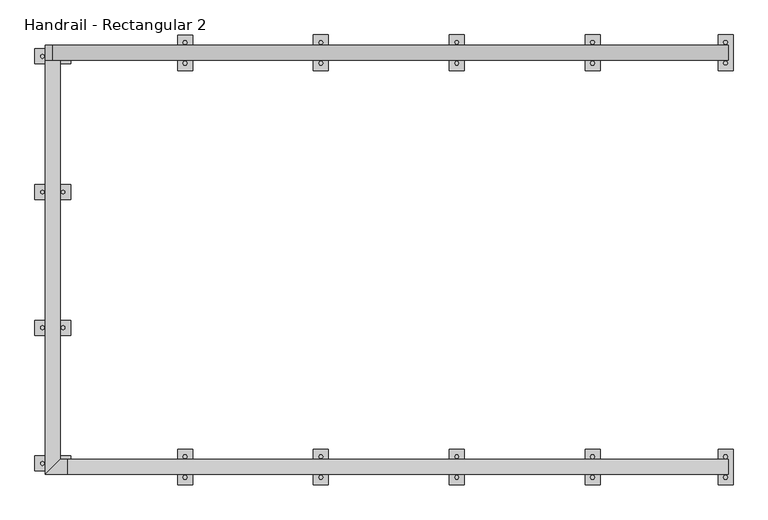
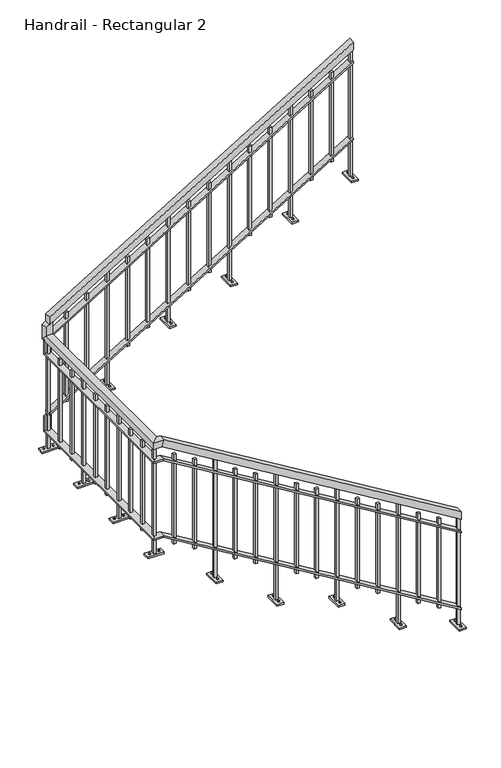
"""IFC4 building model written with IfcOpenShell, lengths in millimetres: railing geometry, Handrail - Rectangular 2."""

from ifc_helpers import new_model, si_unit, frame, origin, place, context, project, spatial, polyline, outline, extrude, faceted_brep, source, transform, mapped, element, save


def handrail_rectangular_2_31a34f4d(model_context):
    return source(origin(), model_context, "Body", "SolidModel", [
        faceted_brep([(-2662.3126908, -10140.1582649, 1083.7333333), (-2662.3126908, -10190.9582649, 1083.7333333), (-2662.3126908, -10190.9582649, 1024.3318731), (-2662.3126908, -10140.1582649, 1024.3318731), (-4897.5126908, -10140.1582649, 2438.4), (-4897.5126908, -10190.9582649, 2438.4), (-4911.7051002, -10190.9582649, 2387.6), (-4911.7051002, -10140.1582649, 2387.6), (-4922.9126908, -10140.1582649, 2438.4), (-4973.7126908, -10190.9582649, 2438.4), (-4973.7126908, -10190.9582649, 2387.6), (-4922.9126908, -10140.1582649, 2387.6), (-4922.9126908, -8788.4356522, 2438.4), (-4973.7126908, -8788.4356522, 2438.4), (-4973.7126908, -8737.6356522, 2387.6), (-4922.9126908, -8737.6356522, 2387.6), (-4922.9126908, -8788.4356522, 2532.9379337), (-4922.9126908, -8737.6356522, 2532.9379337), (-4973.7126908, -8737.6356522, 2502.1500549), (-4973.7126908, -8788.4356522, 2502.1500549)], [[[0, 1, 2, 3]], [[1, 0, 4, 5]], [[2, 1, 5, 6]], [[3, 2, 6, 7]], [[0, 3, 7, 4]], [[5, 4, 8, 9]], [[6, 5, 9, 10]], [[7, 6, 10, 11]], [[4, 7, 11, 8]], [[9, 8, 12, 13]], [[10, 9, 13, 14]], [[11, 10, 14, 15]], [[8, 11, 15, 12]], [[16, 17, 18, 19]], [[13, 12, 16, 19]], [[14, 13, 19, 18]], [[15, 14, 18, 17]], [[12, 15, 17, 16]]]),
        faceted_brep([(-4948.3126908, -8788.4356522, 2576.9454545), (-4948.3126908, -8737.6356522, 2576.9454545), (-4948.3126908, -8737.6356522, 2517.5439943), (-4948.3126908, -8788.4356522, 2517.5439943), (-2662.3126908, -8788.4356522, 3962.4), (-2662.3126908, -8788.4356522, 3902.9985397), (-2662.3126908, -8737.6356522, 3902.9985397), (-2662.3126908, -8737.6356522, 3962.4)], [[[0, 1, 2, 3]], [[4, 5, 6, 7]], [[1, 0, 4, 7]], [[2, 1, 7, 6]], [[3, 2, 6, 5]], [[0, 3, 5, 4]]]),
        faceted_brep([(-2662.3126908, -10140.1582649, 931.3333333), (-2662.3126908, -10190.9582649, 931.3333333), (-2662.3126908, -10190.9582649, 916.4829683), (-2662.3126908, -10140.1582649, 916.4829683), (-4897.5126908, -10140.1582649, 2286.0), (-4897.5126908, -10190.9582649, 2286.0), (-4901.0607932, -10190.9582649, 2273.3), (-4901.0607932, -10140.1582649, 2273.3), (-4922.9126908, -10140.1582649, 2286.0), (-4973.7126908, -10190.9582649, 2286.0), (-4973.7126908, -10190.9582649, 2273.3), (-4922.9126908, -10140.1582649, 2273.3), (-4922.9126908, -8769.3856522, 2286.0), (-4973.7126908, -8769.3856522, 2286.0), (-4973.7126908, -8756.6856522, 2273.3), (-4922.9126908, -8756.6856522, 2273.3), (-4922.9126908, -8769.3856522, 2425.0890289), (-4922.9126908, -8756.6856522, 2425.0890289), (-4973.7126908, -8756.6856522, 2394.3011501), (-4973.7126908, -8769.3856522, 2394.3011501)], [[[0, 1, 2, 3]], [[1, 0, 4, 5]], [[2, 1, 5, 6]], [[3, 2, 6, 7]], [[0, 3, 7, 4]], [[5, 4, 8, 9]], [[6, 5, 9, 10]], [[7, 6, 10, 11]], [[4, 7, 11, 8]], [[9, 8, 12, 13]], [[10, 9, 13, 14]], [[11, 10, 14, 15]], [[8, 11, 15, 12]], [[16, 17, 18, 19]], [[13, 12, 16, 19]], [[14, 13, 19, 18]], [[15, 14, 18, 17]], [[12, 15, 17, 16]]]),
        faceted_brep([(-4948.3126908, -8788.4356522, 2424.5454545), (-4948.3126908, -8737.6356522, 2424.5454545), (-4948.3126908, -8737.6356522, 2409.6950895), (-4948.3126908, -8788.4356522, 2409.6950895), (-2662.3126908, -8788.4356522, 3810.0), (-2662.3126908, -8788.4356522, 3795.1496349), (-2662.3126908, -8737.6356522, 3795.1496349), (-2662.3126908, -8737.6356522, 3810.0)], [[[0, 1, 2, 3]], [[4, 5, 6, 7]], [[1, 0, 4, 7]], [[2, 1, 7, 6]], [[3, 2, 6, 5]], [[0, 3, 5, 4]]]),
        faceted_brep([(-2662.3126908, -10140.1582649, 321.7333333), (-2662.3126908, -10190.9582649, 321.7333333), (-2662.3126908, -10190.9582649, 306.8829683), (-2662.3126908, -10140.1582649, 306.8829683), (-4897.5126908, -10140.1582649, 1676.4), (-4897.5126908, -10190.9582649, 1676.4), (-4901.0607932, -10190.9582649, 1663.7), (-4901.0607932, -10140.1582649, 1663.7), (-4922.9126908, -10140.1582649, 1676.4), (-4973.7126908, -10190.9582649, 1676.4), (-4973.7126908, -10190.9582649, 1663.7), (-4922.9126908, -10140.1582649, 1663.7), (-4922.9126908, -8769.3856522, 1676.4), (-4973.7126908, -8769.3856522, 1676.4), (-4973.7126908, -8756.6856522, 1663.7), (-4922.9126908, -8756.6856522, 1663.7), (-4922.9126908, -8769.3856522, 1815.4890289), (-4922.9126908, -8756.6856522, 1815.4890289), (-4973.7126908, -8756.6856522, 1784.7011501), (-4973.7126908, -8769.3856522, 1784.7011501)], [[[0, 1, 2, 3]], [[1, 0, 4, 5]], [[2, 1, 5, 6]], [[3, 2, 6, 7]], [[0, 3, 7, 4]], [[5, 4, 8, 9]], [[6, 5, 9, 10]], [[7, 6, 10, 11]], [[4, 7, 11, 8]], [[9, 8, 12, 13]], [[10, 9, 13, 14]], [[11, 10, 14, 15]], [[8, 11, 15, 12]], [[16, 17, 18, 19]], [[13, 12, 16, 19]], [[14, 13, 19, 18]], [[15, 14, 18, 17]], [[12, 15, 17, 16]]]),
        faceted_brep([(-4948.3126908, -8788.4356522, 1814.9454545), (-4948.3126908, -8737.6356522, 1814.9454545), (-4948.3126908, -8737.6356522, 1800.0950895), (-4948.3126908, -8788.4356522, 1800.0950895), (-2662.3126908, -8788.4356522, 3200.4), (-2662.3126908, -8788.4356522, 3185.5496349), (-2662.3126908, -8737.6356522, 3185.5496349), (-2662.3126908, -8737.6356522, 3200.4)], [[[0, 1, 2, 3]], [[4, 5, 6, 7]], [[1, 0, 4, 7]], [[2, 1, 7, 6]], [[3, 2, 6, 5]], [[0, 3, 5, 4]]]),
        extrude(outline(polyline([(-2825.0305783, -8772.5606522), (-2825.0305783, -8753.5106522), (-2805.9805783, -8753.5106522), (-2805.9805783, -8772.5606522), (-2825.0305783, -8772.5606522)])), frame((0.0, 0.0, 3056.7558258), z_axis=(0.0, 0.0, 1.0), x_axis=(1.0, 0.0, 0.0)), (0.0, 0.0, 1.0), 711.2),
        extrude(outline(polyline([(-2978.2234658, -8772.5606522), (-2978.2234658, -8753.5106522), (-2959.1734658, -8753.5106522), (-2959.1734658, -8772.5606522), (-2978.2234658, -8772.5606522)])), frame((0.0, 0.0, 2963.9116515), z_axis=(0.0, 0.0, 1.0), x_axis=(1.0, 0.0, 0.0)), (0.0, 0.0, 1.0), 711.2),
        faceted_brep([(-3147.2913533, -8702.7106522, 2709.3333333), (-3096.4913533, -8702.7106522, 2709.3333333), (-3096.4913533, -8823.3606522, 2709.3333333), (-3147.2913533, -8823.3606522, 2709.3333333), (-3131.4163533, -8772.5606522, 3618.6932897), (-3131.4163533, -8753.5106522, 3618.6932897), (-3131.4163533, -8753.5106522, 2722.0333333), (-3131.4163533, -8772.5606522, 2722.0333333), (-3112.3663533, -8772.5606522, 3630.2387443), (-3112.3663533, -8772.5606522, 2722.0333333), (-3112.3663533, -8753.5106522, 3630.2387443), (-3112.3663533, -8753.5106522, 2722.0333333), (-3147.2913533, -8702.7106522, 2722.0333333), (-3147.2913533, -8823.3606522, 2722.0333333), (-3096.4913533, -8823.3606522, 2722.0333333), (-3096.4913533, -8702.7106522, 2722.0333333)], [[[0, 1, 2, 3]], [[4, 5, 6, 7]], [[8, 4, 7, 9]], [[10, 8, 9, 11]], [[5, 10, 11, 6]], [[5, 4, 8, 10]], [[12, 13, 14, 15], [7, 6, 11, 9]], [[13, 12, 0, 3]], [[14, 13, 3, 2]], [[15, 14, 2, 1]], [[12, 15, 1, 0]]]),
        extrude(outline(polyline([(-3129.2237017, -8797.9606522), (-3125.5575275, -8791.6106522), (-3118.2251791, -8791.6106522), (-3114.5590049, -8797.9606522), (-3118.2251791, -8804.3106522), (-3125.5575275, -8804.3106522), (-3129.2237017, -8797.9606522)])), frame((0.0, 0.0, 2722.0333333), z_axis=(0.0, 0.0, 1.0), x_axis=(1.0, 0.0, 0.0)), (0.0, 0.0, 1.0), 6.35),
        extrude(outline(polyline([(-3129.2237017, -8728.1106522), (-3125.5575275, -8721.7606522), (-3118.2251791, -8721.7606522), (-3114.5590049, -8728.1106522), (-3118.2251791, -8734.4606522), (-3125.5575275, -8734.4606522), (-3129.2237017, -8728.1106522)])), frame((0.0, 0.0, 2722.0333333), z_axis=(0.0, 0.0, 1.0), x_axis=(1.0, 0.0, 0.0)), (0.0, 0.0, 1.0), 6.35),
        extrude(outline(polyline([(-3284.6092408, -8772.5606522), (-3284.6092408, -8753.5106522), (-3265.5592408, -8753.5106522), (-3265.5592408, -8772.5606522), (-3284.6092408, -8772.5606522)])), frame((0.0, 0.0, 2778.223303), z_axis=(0.0, 0.0, 1.0), x_axis=(1.0, 0.0, 0.0)), (0.0, 0.0, 1.0), 711.2),
        extrude(outline(polyline([(-3437.8021283, -8772.5606522), (-3437.8021283, -8753.5106522), (-3418.7521283, -8753.5106522), (-3418.7521283, -8772.5606522), (-3437.8021283, -8772.5606522)])), frame((0.0, 0.0, 2685.3791288), z_axis=(0.0, 0.0, 1.0), x_axis=(1.0, 0.0, 0.0)), (0.0, 0.0, 1.0), 711.2),
        faceted_brep([(-3606.8700158, -8702.7106522, 2370.6666667), (-3556.0700158, -8702.7106522, 2370.6666667), (-3556.0700158, -8823.3606522, 2370.6666667), (-3606.8700158, -8823.3606522, 2370.6666667), (-3590.9950158, -8772.5606522, 3340.160767), (-3590.9950158, -8753.5106522, 3340.160767), (-3590.9950158, -8753.5106522, 2383.3666667), (-3590.9950158, -8772.5606522, 2383.3666667), (-3571.9450158, -8772.5606522, 3351.7062215), (-3571.9450158, -8772.5606522, 2383.3666667), (-3571.9450158, -8753.5106522, 3351.7062215), (-3571.9450158, -8753.5106522, 2383.3666667), (-3606.8700158, -8702.7106522, 2383.3666667), (-3606.8700158, -8823.3606522, 2383.3666667), (-3556.0700158, -8823.3606522, 2383.3666667), (-3556.0700158, -8702.7106522, 2383.3666667)], [[[0, 1, 2, 3]], [[4, 5, 6, 7]], [[8, 4, 7, 9]], [[10, 8, 9, 11]], [[5, 10, 11, 6]], [[5, 4, 8, 10]], [[12, 13, 14, 15], [7, 6, 11, 9]], [[13, 12, 0, 3]], [[14, 13, 3, 2]], [[15, 14, 2, 1]], [[12, 15, 1, 0]]]),
        extrude(outline(polyline([(-3588.8023643, -8797.9606522), (-3585.1361901, -8791.6106522), (-3577.8038416, -8791.6106522), (-3574.1376674, -8797.9606522), (-3577.8038416, -8804.3106522), (-3585.1361901, -8804.3106522), (-3588.8023643, -8797.9606522)])), frame((0.0, 0.0, 2383.3666667), z_axis=(0.0, 0.0, 1.0), x_axis=(1.0, 0.0, 0.0)), (0.0, 0.0, 1.0), 6.35),
        extrude(outline(polyline([(-3588.8023643, -8728.1106522), (-3585.1361901, -8721.7606522), (-3577.8038416, -8721.7606522), (-3574.1376674, -8728.1106522), (-3577.8038416, -8734.4606522), (-3585.1361901, -8734.4606522), (-3588.8023643, -8728.1106522)])), frame((0.0, 0.0, 2383.3666667), z_axis=(0.0, 0.0, 1.0), x_axis=(1.0, 0.0, 0.0)), (0.0, 0.0, 1.0), 6.35),
        extrude(outline(polyline([(-3744.1879033, -8772.5606522), (-3744.1879033, -8753.5106522), (-3725.1379033, -8753.5106522), (-3725.1379033, -8772.5606522), (-3744.1879033, -8772.5606522)])), frame((0.0, 0.0, 2499.6907803), z_axis=(0.0, 0.0, 1.0), x_axis=(1.0, 0.0, 0.0)), (0.0, 0.0, 1.0), 711.2),
        extrude(outline(polyline([(-3897.3807909, -8772.5606522), (-3897.3807909, -8753.5106522), (-3878.3307909, -8753.5106522), (-3878.3307909, -8772.5606522), (-3897.3807909, -8772.5606522)])), frame((0.0, 0.0, 2406.846606), z_axis=(0.0, 0.0, 1.0), x_axis=(1.0, 0.0, 0.0)), (0.0, 0.0, 1.0), 711.2),
        faceted_brep([(-4066.4486784, -8702.7106522, 2201.3333333), (-4015.6486784, -8702.7106522, 2201.3333333), (-4015.6486784, -8823.3606522, 2201.3333333), (-4066.4486784, -8823.3606522, 2201.3333333), (-4050.5736784, -8772.5606522, 3061.6282443), (-4050.5736784, -8753.5106522, 3061.6282443), (-4050.5736784, -8753.5106522, 2214.0333333), (-4050.5736784, -8772.5606522, 2214.0333333), (-4031.5236784, -8772.5606522, 3073.1736988), (-4031.5236784, -8772.5606522, 2214.0333333), (-4031.5236784, -8753.5106522, 3073.1736988), (-4031.5236784, -8753.5106522, 2214.0333333), (-4066.4486784, -8702.7106522, 2214.0333333), (-4066.4486784, -8823.3606522, 2214.0333333), (-4015.6486784, -8823.3606522, 2214.0333333), (-4015.6486784, -8702.7106522, 2214.0333333)], [[[0, 1, 2, 3]], [[4, 5, 6, 7]], [[8, 4, 7, 9]], [[10, 8, 9, 11]], [[5, 10, 11, 6]], [[5, 4, 8, 10]], [[12, 13, 14, 15], [7, 6, 11, 9]], [[13, 12, 0, 3]], [[14, 13, 3, 2]], [[15, 14, 2, 1]], [[12, 15, 1, 0]]]),
        extrude(outline(polyline([(-4048.3810268, -8797.9606522), (-4044.7148526, -8791.6106522), (-4037.3825042, -8791.6106522), (-4033.7163299, -8797.9606522), (-4037.3825042, -8804.3106522), (-4044.7148526, -8804.3106522), (-4048.3810268, -8797.9606522)])), frame((0.0, 0.0, 2214.0333333), z_axis=(0.0, 0.0, 1.0), x_axis=(1.0, 0.0, 0.0)), (0.0, 0.0, 1.0), 6.35),
        extrude(outline(polyline([(-4048.3810268, -8728.1106522), (-4044.7148526, -8721.7606522), (-4037.3825042, -8721.7606522), (-4033.7163299, -8728.1106522), (-4037.3825042, -8734.4606522), (-4044.7148526, -8734.4606522), (-4048.3810268, -8728.1106522)])), frame((0.0, 0.0, 2214.0333333), z_axis=(0.0, 0.0, 1.0), x_axis=(1.0, 0.0, 0.0)), (0.0, 0.0, 1.0), 6.35),
        extrude(outline(polyline([(-4203.7665659, -8772.5606522), (-4203.7665659, -8753.5106522), (-4184.7165659, -8753.5106522), (-4184.7165659, -8772.5606522), (-4203.7665659, -8772.5606522)])), frame((0.0, 0.0, 2221.1582575), z_axis=(0.0, 0.0, 1.0), x_axis=(1.0, 0.0, 0.0)), (0.0, 0.0, 1.0), 711.2),
        extrude(outline(polyline([(-4356.9594534, -8772.5606522), (-4356.9594534, -8753.5106522), (-4337.9094534, -8753.5106522), (-4337.9094534, -8772.5606522), (-4356.9594534, -8772.5606522)])), frame((0.0, 0.0, 2128.3140833), z_axis=(0.0, 0.0, 1.0), x_axis=(1.0, 0.0, 0.0)), (0.0, 0.0, 1.0), 711.2),
        faceted_brep([(-4526.0273409, -8702.7106522, 1862.6666667), (-4475.2273409, -8702.7106522, 1862.6666667), (-4475.2273409, -8823.3606522, 1862.6666667), (-4526.0273409, -8823.3606522, 1862.6666667), (-4510.1523409, -8772.5606522, 2783.0957215), (-4510.1523409, -8753.5106522, 2783.0957215), (-4510.1523409, -8753.5106522, 1875.3666667), (-4510.1523409, -8772.5606522, 1875.3666667), (-4491.1023409, -8772.5606522, 2794.6411761), (-4491.1023409, -8772.5606522, 1875.3666667), (-4491.1023409, -8753.5106522, 2794.6411761), (-4491.1023409, -8753.5106522, 1875.3666667), (-4526.0273409, -8702.7106522, 1875.3666667), (-4526.0273409, -8823.3606522, 1875.3666667), (-4475.2273409, -8823.3606522, 1875.3666667), (-4475.2273409, -8702.7106522, 1875.3666667)], [[[0, 1, 2, 3]], [[4, 5, 6, 7]], [[8, 4, 7, 9]], [[10, 8, 9, 11]], [[5, 10, 11, 6]], [[5, 4, 8, 10]], [[12, 13, 14, 15], [7, 6, 11, 9]], [[13, 12, 0, 3]], [[14, 13, 3, 2]], [[15, 14, 2, 1]], [[12, 15, 1, 0]]]),
        extrude(outline(polyline([(-4507.9596893, -8797.9606522), (-4504.2935151, -8791.6106522), (-4496.9611667, -8791.6106522), (-4493.2949925, -8797.9606522), (-4496.9611667, -8804.3106522), (-4504.2935151, -8804.3106522), (-4507.9596893, -8797.9606522)])), frame((0.0, 0.0, 1875.3666667), z_axis=(0.0, 0.0, 1.0), x_axis=(1.0, 0.0, 0.0)), (0.0, 0.0, 1.0), 6.35),
        extrude(outline(polyline([(-4507.9596893, -8728.1106522), (-4504.2935151, -8721.7606522), (-4496.9611667, -8721.7606522), (-4493.2949925, -8728.1106522), (-4496.9611667, -8734.4606522), (-4504.2935151, -8734.4606522), (-4507.9596893, -8728.1106522)])), frame((0.0, 0.0, 1875.3666667), z_axis=(0.0, 0.0, 1.0), x_axis=(1.0, 0.0, 0.0)), (0.0, 0.0, 1.0), 6.35),
        extrude(outline(polyline([(-4663.3452284, -8772.5606522), (-4663.3452284, -8753.5106522), (-4644.2952284, -8753.5106522), (-4644.2952284, -8772.5606522), (-4663.3452284, -8772.5606522)])), frame((0.0, 0.0, 1942.6257348), z_axis=(0.0, 0.0, 1.0), x_axis=(1.0, 0.0, 0.0)), (0.0, 0.0, 1.0), 711.2),
        extrude(outline(polyline([(-4816.5381159, -8772.5606522), (-4816.5381159, -8753.5106522), (-4797.4881159, -8753.5106522), (-4797.4881159, -8772.5606522), (-4816.5381159, -8772.5606522)])), frame((0.0, 0.0, 1849.7815606), z_axis=(0.0, 0.0, 1.0), x_axis=(1.0, 0.0, 0.0)), (0.0, 0.0, 1.0), 711.2),
        faceted_brep([(-5008.6376908, -8800.3289648, 1524.0), (-5008.6376908, -8749.5289648, 1524.0), (-4887.9876908, -8749.5289648, 1524.0), (-4887.9876908, -8800.3289648, 1524.0), (-4938.7876908, -8784.4539648, 2387.6), (-4957.8376908, -8784.4539648, 2387.6), (-4957.8376908, -8784.4539648, 1536.7), (-4938.7876908, -8784.4539648, 1536.7), (-4938.7876908, -8765.4039648, 2387.6), (-4938.7876908, -8765.4039648, 1536.7), (-4957.8376908, -8765.4039648, 2387.6), (-4957.8376908, -8765.4039648, 1536.7), (-5008.6376908, -8800.3289648, 1536.7), (-4887.9876908, -8800.3289648, 1536.7), (-4887.9876908, -8749.5289648, 1536.7), (-5008.6376908, -8749.5289648, 1536.7)], [[[0, 1, 2, 3]], [[4, 5, 6, 7]], [[8, 4, 7, 9]], [[10, 8, 9, 11]], [[5, 10, 11, 6]], [[5, 4, 8, 10]], [[12, 13, 14, 15], [7, 6, 11, 9]], [[13, 12, 0, 3]], [[14, 13, 3, 2]], [[15, 14, 2, 1]], [[12, 15, 1, 0]]]),
        extrude(outline(polyline([(-4913.3876908, -8782.2613132), (-4919.7376908, -8778.595139), (-4919.7376908, -8771.2627905), (-4913.3876908, -8767.5966163), (-4907.0376908, -8771.2627905), (-4907.0376908, -8778.595139), (-4913.3876908, -8782.2613132)])), frame((0.0, 0.0, 1536.7), z_axis=(0.0, 0.0, 1.0), x_axis=(1.0, 0.0, 0.0)), (0.0, 0.0, 1.0), 6.35),
        extrude(outline(polyline([(-4983.2376908, -8782.2613132), (-4989.5876908, -8778.595139), (-4989.5876908, -8771.2627905), (-4983.2376908, -8767.5966163), (-4976.8876908, -8771.2627905), (-4976.8876908, -8778.595139), (-4983.2376908, -8782.2613132)])), frame((0.0, 0.0, 1536.7), z_axis=(0.0, 0.0, 1.0), x_axis=(1.0, 0.0, 0.0)), (0.0, 0.0, 1.0), 6.35),
        extrude(outline(polyline([(-4938.7876908, -8937.6468523), (-4957.8376908, -8937.6468523), (-4957.8376908, -8918.5968523), (-4938.7876908, -8918.5968523), (-4938.7876908, -8937.6468523)])), frame((0.0, 0.0, 1625.6), z_axis=(0.0, 0.0, 1.0), x_axis=(1.0, 0.0, 0.0)), (0.0, 0.0, 1.0), 711.2),
        extrude(outline(polyline([(-4938.7876908, -9090.8397398), (-4957.8376908, -9090.8397398), (-4957.8376908, -9071.7897398), (-4938.7876908, -9071.7897398), (-4938.7876908, -9090.8397398)])), frame((0.0, 0.0, 1625.6), z_axis=(0.0, 0.0, 1.0), x_axis=(1.0, 0.0, 0.0)), (0.0, 0.0, 1.0), 711.2),
        faceted_brep([(-5008.6376908, -9259.9076273, 1524.0), (-5008.6376908, -9209.1076273, 1524.0), (-4887.9876908, -9209.1076273, 1524.0), (-4887.9876908, -9259.9076273, 1524.0), (-4938.7876908, -9244.0326273, 2387.6), (-4957.8376908, -9244.0326273, 2387.6), (-4957.8376908, -9244.0326273, 1536.7), (-4938.7876908, -9244.0326273, 1536.7), (-4938.7876908, -9224.9826273, 2387.6), (-4938.7876908, -9224.9826273, 1536.7), (-4957.8376908, -9224.9826273, 2387.6), (-4957.8376908, -9224.9826273, 1536.7), (-5008.6376908, -9259.9076273, 1536.7), (-4887.9876908, -9259.9076273, 1536.7), (-4887.9876908, -9209.1076273, 1536.7), (-5008.6376908, -9209.1076273, 1536.7)], [[[0, 1, 2, 3]], [[4, 5, 6, 7]], [[8, 4, 7, 9]], [[10, 8, 9, 11]], [[5, 10, 11, 6]], [[5, 4, 8, 10]], [[12, 13, 14, 15], [7, 6, 11, 9]], [[13, 12, 0, 3]], [[14, 13, 3, 2]], [[15, 14, 2, 1]], [[12, 15, 1, 0]]]),
        extrude(outline(polyline([(-4913.3876908, -9241.8399757), (-4919.7376908, -9238.1738015), (-4919.7376908, -9230.8414531), (-4913.3876908, -9227.1752789), (-4907.0376908, -9230.8414531), (-4907.0376908, -9238.1738015), (-4913.3876908, -9241.8399757)])), frame((0.0, 0.0, 1536.7), z_axis=(0.0, 0.0, 1.0), x_axis=(1.0, 0.0, 0.0)), (0.0, 0.0, 1.0), 6.35),
        extrude(outline(polyline([(-4983.2376908, -9241.8399757), (-4989.5876908, -9238.1738015), (-4989.5876908, -9230.8414531), (-4983.2376908, -9227.1752789), (-4976.8876908, -9230.8414531), (-4976.8876908, -9238.1738015), (-4983.2376908, -9241.8399757)])), frame((0.0, 0.0, 1536.7), z_axis=(0.0, 0.0, 1.0), x_axis=(1.0, 0.0, 0.0)), (0.0, 0.0, 1.0), 6.35),
        extrude(outline(polyline([(-4938.7876908, -9397.2255148), (-4957.8376908, -9397.2255148), (-4957.8376908, -9378.1755148), (-4938.7876908, -9378.1755148), (-4938.7876908, -9397.2255148)])), frame((0.0, 0.0, 1625.6), z_axis=(0.0, 0.0, 1.0), x_axis=(1.0, 0.0, 0.0)), (0.0, 0.0, 1.0), 711.2),
        extrude(outline(polyline([(-4938.7876908, -9550.4184023), (-4957.8376908, -9550.4184023), (-4957.8376908, -9531.3684023), (-4938.7876908, -9531.3684023), (-4938.7876908, -9550.4184023)])), frame((0.0, 0.0, 1625.6), z_axis=(0.0, 0.0, 1.0), x_axis=(1.0, 0.0, 0.0)), (0.0, 0.0, 1.0), 711.2),
        faceted_brep([(-5008.6376908, -9719.4862898, 1524.0), (-5008.6376908, -9668.6862898, 1524.0), (-4887.9876908, -9668.6862898, 1524.0), (-4887.9876908, -9719.4862898, 1524.0), (-4938.7876908, -9703.6112898, 2387.6), (-4957.8376908, -9703.6112898, 2387.6), (-4957.8376908, -9703.6112898, 1536.7), (-4938.7876908, -9703.6112898, 1536.7), (-4938.7876908, -9684.5612898, 2387.6), (-4938.7876908, -9684.5612898, 1536.7), (-4957.8376908, -9684.5612898, 2387.6), (-4957.8376908, -9684.5612898, 1536.7), (-5008.6376908, -9719.4862898, 1536.7), (-4887.9876908, -9719.4862898, 1536.7), (-4887.9876908, -9668.6862898, 1536.7), (-5008.6376908, -9668.6862898, 1536.7)], [[[0, 1, 2, 3]], [[4, 5, 6, 7]], [[8, 4, 7, 9]], [[10, 8, 9, 11]], [[5, 10, 11, 6]], [[5, 4, 8, 10]], [[12, 13, 14, 15], [7, 6, 11, 9]], [[13, 12, 0, 3]], [[14, 13, 3, 2]], [[15, 14, 2, 1]], [[12, 15, 1, 0]]]),
        extrude(outline(polyline([(-4913.3876908, -9701.4186382), (-4919.7376908, -9697.752464), (-4919.7376908, -9690.4201156), (-4913.3876908, -9686.7539414), (-4907.0376908, -9690.4201156), (-4907.0376908, -9697.752464), (-4913.3876908, -9701.4186382)])), frame((0.0, 0.0, 1536.7), z_axis=(0.0, 0.0, 1.0), x_axis=(1.0, 0.0, 0.0)), (0.0, 0.0, 1.0), 6.35),
        extrude(outline(polyline([(-4983.2376908, -9701.4186382), (-4989.5876908, -9697.752464), (-4989.5876908, -9690.4201156), (-4983.2376908, -9686.7539414), (-4976.8876908, -9690.4201156), (-4976.8876908, -9697.752464), (-4983.2376908, -9701.4186382)])), frame((0.0, 0.0, 1536.7), z_axis=(0.0, 0.0, 1.0), x_axis=(1.0, 0.0, 0.0)), (0.0, 0.0, 1.0), 6.35),
        extrude(outline(polyline([(-4938.7876908, -9856.8041773), (-4957.8376908, -9856.8041773), (-4957.8376908, -9837.7541773), (-4938.7876908, -9837.7541773), (-4938.7876908, -9856.8041773)])), frame((0.0, 0.0, 1625.6), z_axis=(0.0, 0.0, 1.0), x_axis=(1.0, 0.0, 0.0)), (0.0, 0.0, 1.0), 711.2),
        extrude(outline(polyline([(-4938.7876908, -10009.9970648), (-4957.8376908, -10009.9970648), (-4957.8376908, -9990.9470648), (-4938.7876908, -9990.9470648), (-4938.7876908, -10009.9970648)])), frame((0.0, 0.0, 1625.6), z_axis=(0.0, 0.0, 1.0), x_axis=(1.0, 0.0, 0.0)), (0.0, 0.0, 1.0), 711.2),
        faceted_brep([(-5008.6376908, -10179.0649523, 1524.0), (-5008.6376908, -10128.2649523, 1524.0), (-4887.9876908, -10128.2649523, 1524.0), (-4887.9876908, -10179.0649523, 1524.0), (-4938.7876908, -10163.1899523, 2387.6), (-4957.8376908, -10163.1899523, 2387.6), (-4957.8376908, -10163.1899523, 1536.7), (-4938.7876908, -10163.1899523, 1536.7), (-4938.7876908, -10144.1399523, 2387.6), (-4938.7876908, -10144.1399523, 1536.7), (-4957.8376908, -10144.1399523, 2387.6), (-4957.8376908, -10144.1399523, 1536.7), (-5008.6376908, -10179.0649523, 1536.7), (-4887.9876908, -10179.0649523, 1536.7), (-4887.9876908, -10128.2649523, 1536.7), (-5008.6376908, -10128.2649523, 1536.7)], [[[0, 1, 2, 3]], [[4, 5, 6, 7]], [[8, 4, 7, 9]], [[10, 8, 9, 11]], [[5, 10, 11, 6]], [[5, 4, 8, 10]], [[12, 13, 14, 15], [7, 6, 11, 9]], [[13, 12, 0, 3]], [[14, 13, 3, 2]], [[15, 14, 2, 1]], [[12, 15, 1, 0]]]),
        extrude(outline(polyline([(-4913.3876908, -10160.9973007), (-4919.7376908, -10157.3311265), (-4919.7376908, -10149.9987781), (-4913.3876908, -10146.3326039), (-4907.0376908, -10149.9987781), (-4907.0376908, -10157.3311265), (-4913.3876908, -10160.9973007)])), frame((0.0, 0.0, 1536.7), z_axis=(0.0, 0.0, 1.0), x_axis=(1.0, 0.0, 0.0)), (0.0, 0.0, 1.0), 6.35),
        extrude(outline(polyline([(-4983.2376908, -10160.9973007), (-4989.5876908, -10157.3311265), (-4989.5876908, -10149.9987781), (-4983.2376908, -10146.3326039), (-4976.8876908, -10149.9987781), (-4976.8876908, -10157.3311265), (-4983.2376908, -10160.9973007)])), frame((0.0, 0.0, 1536.7), z_axis=(0.0, 0.0, 1.0), x_axis=(1.0, 0.0, 0.0)), (0.0, 0.0, 1.0), 6.35),
        extrude(outline(polyline([(-4797.4881159, -10156.0332649), (-4797.4881159, -10175.0832649), (-4816.5381159, -10175.0832649), (-4816.5381159, -10156.0332649), (-4797.4881159, -10156.0332649)])), frame((0.0, 0.0, 1570.7517728), z_axis=(0.0, 0.0, 1.0), x_axis=(1.0, 0.0, 0.0)), (0.0, 0.0, 1.0), 711.2),
        extrude(outline(polyline([(-4644.2952284, -10156.0332649), (-4644.2952284, -10175.0832649), (-4663.3452284, -10175.0832649), (-4663.3452284, -10156.0332649), (-4644.2952284, -10156.0332649)])), frame((0.0, 0.0, 1477.9075985), z_axis=(0.0, 0.0, 1.0), x_axis=(1.0, 0.0, 0.0)), (0.0, 0.0, 1.0), 711.2),
        faceted_brep([(-4475.2273409, -10225.8832649, 1185.3333333), (-4526.0273409, -10225.8832649, 1185.3333333), (-4526.0273409, -10105.2332649, 1185.3333333), (-4475.2273409, -10105.2332649, 1185.3333333), (-4491.1023409, -10156.0332649, 2132.6892368), (-4491.1023409, -10175.0832649, 2132.6892368), (-4491.1023409, -10175.0832649, 1198.0333333), (-4491.1023409, -10156.0332649, 1198.0333333), (-4510.1523409, -10156.0332649, 2144.2346913), (-4510.1523409, -10156.0332649, 1198.0333333), (-4510.1523409, -10175.0832649, 2144.2346913), (-4510.1523409, -10175.0832649, 1198.0333333), (-4475.2273409, -10225.8832649, 1198.0333333), (-4475.2273409, -10105.2332649, 1198.0333333), (-4526.0273409, -10105.2332649, 1198.0333333), (-4526.0273409, -10225.8832649, 1198.0333333)], [[[0, 1, 2, 3]], [[4, 5, 6, 7]], [[8, 4, 7, 9]], [[10, 8, 9, 11]], [[5, 10, 11, 6]], [[5, 4, 8, 10]], [[12, 13, 14, 15], [7, 6, 11, 9]], [[13, 12, 0, 3]], [[14, 13, 3, 2]], [[15, 14, 2, 1]], [[12, 15, 1, 0]]]),
        extrude(outline(polyline([(-4493.2949925, -10130.6332649), (-4496.9611667, -10136.9832649), (-4504.2935151, -10136.9832649), (-4507.9596893, -10130.6332649), (-4504.2935151, -10124.2832649), (-4496.9611667, -10124.2832649), (-4493.2949925, -10130.6332649)])), frame((0.0, 0.0, 1198.0333333), z_axis=(0.0, 0.0, 1.0), x_axis=(1.0, 0.0, 0.0)), (0.0, 0.0, 1.0), 6.35),
        extrude(outline(polyline([(-4493.2949925, -10200.4832649), (-4496.9611667, -10206.8332649), (-4504.2935151, -10206.8332649), (-4507.9596893, -10200.4832649), (-4504.2935151, -10194.1332649), (-4496.9611667, -10194.1332649), (-4493.2949925, -10200.4832649)])), frame((0.0, 0.0, 1198.0333333), z_axis=(0.0, 0.0, 1.0), x_axis=(1.0, 0.0, 0.0)), (0.0, 0.0, 1.0), 6.35),
        extrude(outline(polyline([(-4337.9094534, -10156.0332649), (-4337.9094534, -10175.0832649), (-4356.9594534, -10175.0832649), (-4356.9594534, -10156.0332649), (-4337.9094534, -10156.0332649)])), frame((0.0, 0.0, 1292.21925), z_axis=(0.0, 0.0, 1.0), x_axis=(1.0, 0.0, 0.0)), (0.0, 0.0, 1.0), 711.2),
        extrude(outline(polyline([(-4184.7165659, -10156.0332649), (-4184.7165659, -10175.0832649), (-4203.7665659, -10175.0832649), (-4203.7665659, -10156.0332649), (-4184.7165659, -10156.0332649)])), frame((0.0, 0.0, 1199.3750758), z_axis=(0.0, 0.0, 1.0), x_axis=(1.0, 0.0, 0.0)), (0.0, 0.0, 1.0), 711.2),
        faceted_brep([(-4015.6486784, -10225.8832649, 846.6666667), (-4066.4486784, -10225.8832649, 846.6666667), (-4066.4486784, -10105.2332649, 846.6666667), (-4015.6486784, -10105.2332649, 846.6666667), (-4031.5236784, -10156.0332649, 1854.156714), (-4031.5236784, -10175.0832649, 1854.156714), (-4031.5236784, -10175.0832649, 859.3666667), (-4031.5236784, -10156.0332649, 859.3666667), (-4050.5736784, -10156.0332649, 1865.7021686), (-4050.5736784, -10156.0332649, 859.3666667), (-4050.5736784, -10175.0832649, 1865.7021686), (-4050.5736784, -10175.0832649, 859.3666667), (-4015.6486784, -10225.8832649, 859.3666667), (-4015.6486784, -10105.2332649, 859.3666667), (-4066.4486784, -10105.2332649, 859.3666667), (-4066.4486784, -10225.8832649, 859.3666667)], [[[0, 1, 2, 3]], [[4, 5, 6, 7]], [[8, 4, 7, 9]], [[10, 8, 9, 11]], [[5, 10, 11, 6]], [[5, 4, 8, 10]], [[12, 13, 14, 15], [7, 6, 11, 9]], [[13, 12, 0, 3]], [[14, 13, 3, 2]], [[15, 14, 2, 1]], [[12, 15, 1, 0]]]),
        extrude(outline(polyline([(-4033.7163299, -10130.6332649), (-4037.3825042, -10136.9832649), (-4044.7148526, -10136.9832649), (-4048.3810268, -10130.6332649), (-4044.7148526, -10124.2832649), (-4037.3825042, -10124.2832649), (-4033.7163299, -10130.6332649)])), frame((0.0, 0.0, 859.3666667), z_axis=(0.0, 0.0, 1.0), x_axis=(1.0, 0.0, 0.0)), (0.0, 0.0, 1.0), 6.35),
        extrude(outline(polyline([(-4033.7163299, -10200.4832649), (-4037.3825042, -10206.8332649), (-4044.7148526, -10206.8332649), (-4048.3810268, -10200.4832649), (-4044.7148526, -10194.1332649), (-4037.3825042, -10194.1332649), (-4033.7163299, -10200.4832649)])), frame((0.0, 0.0, 859.3666667), z_axis=(0.0, 0.0, 1.0), x_axis=(1.0, 0.0, 0.0)), (0.0, 0.0, 1.0), 6.35),
        extrude(outline(polyline([(-3878.3307909, -10156.0332649), (-3878.3307909, -10175.0832649), (-3897.3807909, -10175.0832649), (-3897.3807909, -10156.0332649), (-3878.3307909, -10156.0332649)])), frame((0.0, 0.0, 1013.6867273), z_axis=(0.0, 0.0, 1.0), x_axis=(1.0, 0.0, 0.0)), (0.0, 0.0, 1.0), 711.2),
        extrude(outline(polyline([(-3725.1379033, -10156.0332649), (-3725.1379033, -10175.0832649), (-3744.1879033, -10175.0832649), (-3744.1879033, -10156.0332649), (-3725.1379033, -10156.0332649)])), frame((0.0, 0.0, 920.8425531), z_axis=(0.0, 0.0, 1.0), x_axis=(1.0, 0.0, 0.0)), (0.0, 0.0, 1.0), 711.2),
        faceted_brep([(-3556.0700158, -10225.8832649, 677.3333333), (-3606.8700158, -10225.8832649, 677.3333333), (-3606.8700158, -10105.2332649, 677.3333333), (-3556.0700158, -10105.2332649, 677.3333333), (-3571.9450158, -10156.0332649, 1575.6241913), (-3571.9450158, -10175.0832649, 1575.6241913), (-3571.9450158, -10175.0832649, 690.0333333), (-3571.9450158, -10156.0332649, 690.0333333), (-3590.9950158, -10156.0332649, 1587.1696458), (-3590.9950158, -10156.0332649, 690.0333333), (-3590.9950158, -10175.0832649, 1587.1696458), (-3590.9950158, -10175.0832649, 690.0333333), (-3556.0700158, -10225.8832649, 690.0333333), (-3556.0700158, -10105.2332649, 690.0333333), (-3606.8700158, -10105.2332649, 690.0333333), (-3606.8700158, -10225.8832649, 690.0333333)], [[[0, 1, 2, 3]], [[4, 5, 6, 7]], [[8, 4, 7, 9]], [[10, 8, 9, 11]], [[5, 10, 11, 6]], [[5, 4, 8, 10]], [[12, 13, 14, 15], [7, 6, 11, 9]], [[13, 12, 0, 3]], [[14, 13, 3, 2]], [[15, 14, 2, 1]], [[12, 15, 1, 0]]]),
        extrude(outline(polyline([(-3574.1376674, -10130.6332649), (-3577.8038416, -10136.9832649), (-3585.1361901, -10136.9832649), (-3588.8023643, -10130.6332649), (-3585.1361901, -10124.2832649), (-3577.8038416, -10124.2832649), (-3574.1376674, -10130.6332649)])), frame((0.0, 0.0, 690.0333333), z_axis=(0.0, 0.0, 1.0), x_axis=(1.0, 0.0, 0.0)), (0.0, 0.0, 1.0), 6.35),
        extrude(outline(polyline([(-3574.1376674, -10200.4832649), (-3577.8038416, -10206.8332649), (-3585.1361901, -10206.8332649), (-3588.8023643, -10200.4832649), (-3585.1361901, -10194.1332649), (-3577.8038416, -10194.1332649), (-3574.1376674, -10200.4832649)])), frame((0.0, 0.0, 690.0333333), z_axis=(0.0, 0.0, 1.0), x_axis=(1.0, 0.0, 0.0)), (0.0, 0.0, 1.0), 6.35),
        extrude(outline(polyline([(-3418.7521283, -10156.0332649), (-3418.7521283, -10175.0832649), (-3437.8021283, -10175.0832649), (-3437.8021283, -10156.0332649), (-3418.7521283, -10156.0332649)])), frame((0.0, 0.0, 735.1542046), z_axis=(0.0, 0.0, 1.0), x_axis=(1.0, 0.0, 0.0)), (0.0, 0.0, 1.0), 711.2),
        extrude(outline(polyline([(-3265.5592408, -10156.0332649), (-3265.5592408, -10175.0832649), (-3284.6092408, -10175.0832649), (-3284.6092408, -10156.0332649), (-3265.5592408, -10156.0332649)])), frame((0.0, 0.0, 642.3100303), z_axis=(0.0, 0.0, 1.0), x_axis=(1.0, 0.0, 0.0)), (0.0, 0.0, 1.0), 711.2),
        faceted_brep([(-3096.4913533, -10225.8832649, 338.6666667), (-3147.2913533, -10225.8832649, 338.6666667), (-3147.2913533, -10105.2332649, 338.6666667), (-3096.4913533, -10105.2332649, 338.6666667), (-3112.3663533, -10156.0332649, 1297.0916685), (-3112.3663533, -10175.0832649, 1297.0916685), (-3112.3663533, -10175.0832649, 351.3666667), (-3112.3663533, -10156.0332649, 351.3666667), (-3131.4163533, -10156.0332649, 1308.6371231), (-3131.4163533, -10156.0332649, 351.3666667), (-3131.4163533, -10175.0832649, 1308.6371231), (-3131.4163533, -10175.0832649, 351.3666667), (-3096.4913533, -10225.8832649, 351.3666667), (-3096.4913533, -10105.2332649, 351.3666667), (-3147.2913533, -10105.2332649, 351.3666667), (-3147.2913533, -10225.8832649, 351.3666667)], [[[0, 1, 2, 3]], [[4, 5, 6, 7]], [[8, 4, 7, 9]], [[10, 8, 9, 11]], [[5, 10, 11, 6]], [[5, 4, 8, 10]], [[12, 13, 14, 15], [7, 6, 11, 9]], [[13, 12, 0, 3]], [[14, 13, 3, 2]], [[15, 14, 2, 1]], [[12, 15, 1, 0]]]),
        extrude(outline(polyline([(-3114.5590049, -10130.6332649), (-3118.2251791, -10136.9832649), (-3125.5575275, -10136.9832649), (-3129.2237017, -10130.6332649), (-3125.5575275, -10124.2832649), (-3118.2251791, -10124.2832649), (-3114.5590049, -10130.6332649)])), frame((0.0, 0.0, 351.3666667), z_axis=(0.0, 0.0, 1.0), x_axis=(1.0, 0.0, 0.0)), (0.0, 0.0, 1.0), 6.35),
        extrude(outline(polyline([(-3114.5590049, -10200.4832649), (-3118.2251791, -10206.8332649), (-3125.5575275, -10206.8332649), (-3129.2237017, -10200.4832649), (-3125.5575275, -10194.1332649), (-3118.2251791, -10194.1332649), (-3114.5590049, -10200.4832649)])), frame((0.0, 0.0, 351.3666667), z_axis=(0.0, 0.0, 1.0), x_axis=(1.0, 0.0, 0.0)), (0.0, 0.0, 1.0), 6.35),
        extrude(outline(polyline([(-2959.1734658, -10156.0332649), (-2959.1734658, -10175.0832649), (-2978.2234658, -10175.0832649), (-2978.2234658, -10156.0332649), (-2959.1734658, -10156.0332649)])), frame((0.0, 0.0, 456.6216818), z_axis=(0.0, 0.0, 1.0), x_axis=(1.0, 0.0, 0.0)), (0.0, 0.0, 1.0), 711.2),
        extrude(outline(polyline([(-2805.9805783, -10156.0332649), (-2805.9805783, -10175.0832649), (-2825.0305783, -10175.0832649), (-2825.0305783, -10156.0332649), (-2805.9805783, -10156.0332649)])), frame((0.0, 0.0, 363.7775076), z_axis=(0.0, 0.0, 1.0), x_axis=(1.0, 0.0, 0.0)), (0.0, 0.0, 1.0), 711.2),
        faceted_brep([(-2697.2376908, -8702.7106522, 2878.6666667), (-2646.4376908, -8702.7106522, 2878.6666667), (-2646.4376908, -8823.3606522, 2878.6666667), (-2697.2376908, -8823.3606522, 2878.6666667), (-2681.3626908, -8772.5606522, 3891.4530852), (-2681.3626908, -8753.5106522, 3891.4530852), (-2681.3626908, -8753.5106522, 2891.3666667), (-2681.3626908, -8772.5606522, 2891.3666667), (-2662.3126908, -8772.5606522, 3902.9985397), (-2662.3126908, -8772.5606522, 2891.3666667), (-2662.3126908, -8753.5106522, 3902.9985397), (-2662.3126908, -8753.5106522, 2891.3666667), (-2697.2376908, -8702.7106522, 2891.3666667), (-2697.2376908, -8823.3606522, 2891.3666667), (-2646.4376908, -8823.3606522, 2891.3666667), (-2646.4376908, -8702.7106522, 2891.3666667)], [[[0, 1, 2, 3]], [[4, 5, 6, 7]], [[8, 4, 7, 9]], [[10, 8, 9, 11]], [[5, 10, 11, 6]], [[5, 4, 8, 10]], [[12, 13, 14, 15], [7, 6, 11, 9]], [[13, 12, 0, 3]], [[14, 13, 3, 2]], [[15, 14, 2, 1]], [[12, 15, 1, 0]]]),
        extrude(outline(polyline([(-2679.1700392, -8797.9606522), (-2675.503865, -8791.6106522), (-2668.1715166, -8791.6106522), (-2664.5053424, -8797.9606522), (-2668.1715166, -8804.3106522), (-2675.503865, -8804.3106522), (-2679.1700392, -8797.9606522)])), frame((0.0, 0.0, 2891.3666667), z_axis=(0.0, 0.0, 1.0), x_axis=(1.0, 0.0, 0.0)), (0.0, 0.0, 1.0), 6.35),
        extrude(outline(polyline([(-2679.1700392, -8728.1106522), (-2675.503865, -8721.7606522), (-2668.1715166, -8721.7606522), (-2664.5053424, -8728.1106522), (-2668.1715166, -8734.4606522), (-2675.503865, -8734.4606522), (-2679.1700392, -8728.1106522)])), frame((0.0, 0.0, 2891.3666667), z_axis=(0.0, 0.0, 1.0), x_axis=(1.0, 0.0, 0.0)), (0.0, 0.0, 1.0), 6.35),
        faceted_brep([(-2646.4376908, -10225.8832649, 169.3333333), (-2697.2376908, -10225.8832649, 169.3333333), (-2697.2376908, -10105.2332649, 169.3333333), (-2646.4376908, -10105.2332649, 169.3333333), (-2662.3126908, -10156.0332649, 1024.3318731), (-2662.3126908, -10175.0832649, 1024.3318731), (-2662.3126908, -10175.0832649, 182.0333333), (-2662.3126908, -10156.0332649, 182.0333333), (-2681.3626908, -10156.0332649, 1035.8773276), (-2681.3626908, -10156.0332649, 182.0333333), (-2681.3626908, -10175.0832649, 1035.8773276), (-2681.3626908, -10175.0832649, 182.0333333), (-2646.4376908, -10225.8832649, 182.0333333), (-2646.4376908, -10105.2332649, 182.0333333), (-2697.2376908, -10105.2332649, 182.0333333), (-2697.2376908, -10225.8832649, 182.0333333)], [[[0, 1, 2, 3]], [[4, 5, 6, 7]], [[8, 4, 7, 9]], [[10, 8, 9, 11]], [[5, 10, 11, 6]], [[5, 4, 8, 10]], [[12, 13, 14, 15], [7, 6, 11, 9]], [[13, 12, 0, 3]], [[14, 13, 3, 2]], [[15, 14, 2, 1]], [[12, 15, 1, 0]]]),
        extrude(outline(polyline([(-2664.5053424, -10130.6332649), (-2668.1715166, -10136.9832649), (-2675.503865, -10136.9832649), (-2679.1700392, -10130.6332649), (-2675.503865, -10124.2832649), (-2668.1715166, -10124.2832649), (-2664.5053424, -10130.6332649)])), frame((0.0, 0.0, 182.0333333), z_axis=(0.0, 0.0, 1.0), x_axis=(1.0, 0.0, 0.0)), (0.0, 0.0, 1.0), 6.35),
        extrude(outline(polyline([(-2664.5053424, -10200.4832649), (-2668.1715166, -10206.8332649), (-2675.503865, -10206.8332649), (-2679.1700392, -10200.4832649), (-2675.503865, -10194.1332649), (-2668.1715166, -10194.1332649), (-2664.5053424, -10200.4832649)])), frame((0.0, 0.0, 182.0333333), z_axis=(0.0, 0.0, 1.0), x_axis=(1.0, 0.0, 0.0)), (0.0, 0.0, 1.0), 6.35),
    ])


if __name__ == "__main__":
    model = new_model("IFC4")
    model_context = context("Model", 3, world=origin())
    ifc_project = project(units=[si_unit("LENGTHUNIT", "METRE", prefix="MILLI")], contexts=[model_context])
    site = spatial("IfcSite", under=ifc_project)
    building = spatial("IfcBuilding", under=site)
    placement = place(None, origin())
    handrail_rectangular_2_shape = handrail_rectangular_2_31a34f4d(model_context)
    element("IfcRailing", 1, ObjectType="Handrail - Rectangular 2", at=placement, inside=building, context=model_context, shape_type="MappedRepresentation", body=[
        mapped(handrail_rectangular_2_shape, transform((0.0, 0.0, 0.0), x_axis=(1.0, 0.0, 0.0), y_axis=(0.0, 1.0, 0.0), z_axis=(0.0, 0.0, 1.0))),
    ])
    save(model, "model.ifc")
